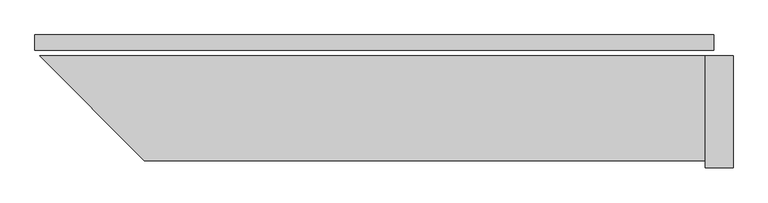
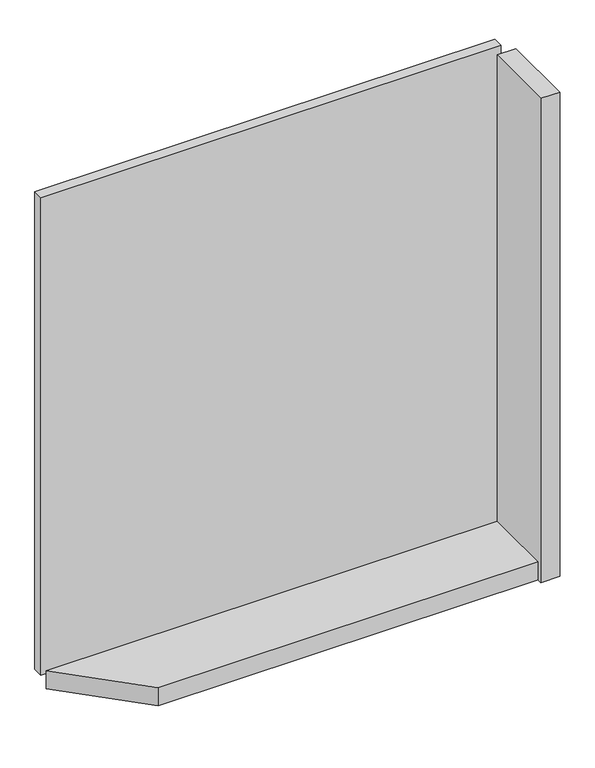
"""IFC4 building model written with IfcOpenShell, lengths in millimetres: plate geometry."""

from ifc_helpers import new_model, si_unit, frame, origin, origin_with_axes, place, context, project, spatial, polyline, outline, extrude, source, transform, mapped, element, save


def plate_5cddc22b(model_context):
    return source(origin(), model_context, "Body", "SweptSolid", [
        extrude(outline(polyline([(972.0, 0.0), (972.0, -44.0), (-972.0, -44.0), (-972.0, 0.0), (972.0, 0.0)])), origin_with_axes(), (0.0, 0.0, 1.0), 2132.0),
        extrude(outline(polyline([(947.0, -360.0), (-658.4314575, -360.0), (-958.4314575, -60.0), (947.0, -60.0), (947.0, -360.0)])), frame((0.0, 0.0, -55.0), z_axis=(0.0, 0.0, 1.0), x_axis=(1.0, 0.0, 0.0)), (0.0, 0.0, 1.0), 80.0),
        extrude(outline(polyline([(1027.0, -60.0), (1027.0, -380.0), (947.0, -380.0), (947.0, -60.0), (1027.0, -60.0)])), frame((0.0, 0.0, -55.0), z_axis=(0.0, 0.0, 1.0), x_axis=(1.0, 0.0, 0.0)), (0.0, 0.0, 1.0), 2162.0),
    ])


if __name__ == "__main__":
    model = new_model("IFC4")
    model_context = context("Model", 3, world=origin())
    ifc_project = project(units=[si_unit("LENGTHUNIT", "METRE", prefix="MILLI")], contexts=[model_context])
    site = spatial("IfcSite", under=ifc_project)
    building = spatial("IfcBuilding", under=site)
    placement = place(None, origin())
    plate_shape = plate_5cddc22b(model_context)
    element("IfcPlate", 1, at=placement, inside=building, context=model_context, shape_type="MappedRepresentation", body=[
        mapped(plate_shape, transform((0.0, 0.0, 0.0), x_axis=(1.0, 0.0, 0.0), y_axis=(0.0, 1.0, 0.0), z_axis=(0.0, 0.0, 1.0))),
    ])
    save(model, "model.ifc")
